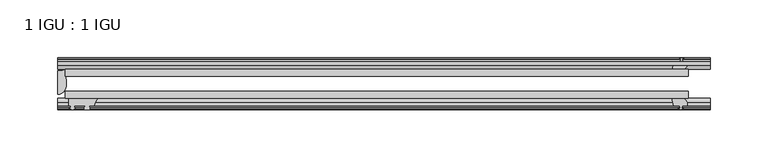
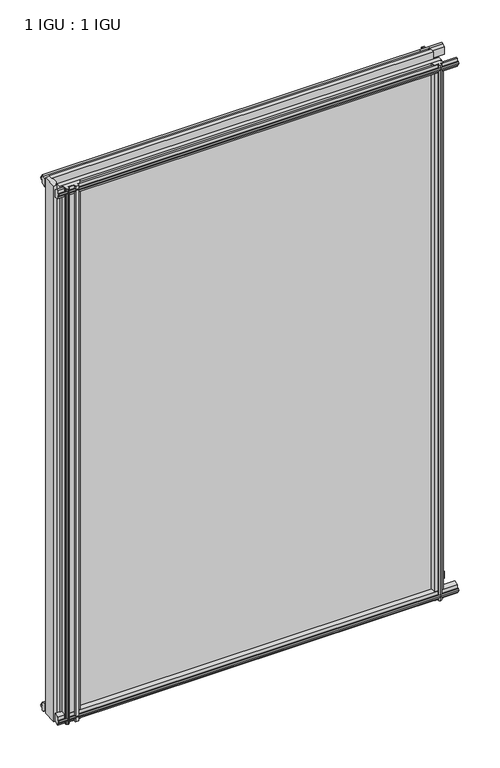
"""IFC4 building model written with IfcOpenShell, lengths in millimetres: plate geometry, 1 IGU : 1 IGU."""

import ifcopenshell
import ifcopenshell.guid

model = None  # the IFC model being written
_history = None  # IfcOwnerHistory: only IFC2X3 demands one
_inside = {}  # id of a spatial element -> (the spatial element, [elements in it])
_under = {}  # id of a project, library or spatial element -> (it, [spatial elements below it])
_declared = {}  # id of a project -> (the project, [libraries it declares])
_typed = {}  # id of a type object -> (the type object, [elements of that type])
_made_of = {}  # id of a material, layer set ... -> (it, [elements and type objects made of it])


def new_model(schema):
    """Start an empty IFC model of exactly this schema.

    Asked for "IFC4X3", IfcOpenShell would pick the latest addendum, in which some entities
    have other attributes; the version numbers below select the first issue.
    IFC2X3 requires an IfcOwnerHistory on every rooted entity: one is made here for all.
    """
    global model, _history
    if schema == "IFC4X3":
        model = ifcopenshell.file(schema_version=(4, 3, 0, 0))
    else:
        model = ifcopenshell.file(schema=schema)
    _inside.clear()
    _under.clear()
    _declared.clear()
    _typed.clear()
    _made_of.clear()
    _history = None
    if model.schema == "IFC2X3":
        org = make("IfcOrganization", Name="unknown")
        user = make(
            "IfcPersonAndOrganization",
            ThePerson=make("IfcPerson", FamilyName="unknown"),
            TheOrganization=org,
        )
        app = make(
            "IfcApplication",
            ApplicationDeveloper=org,
            Version="unknown",
            ApplicationFullName="unknown",
            ApplicationIdentifier="unknown",
        )
        _history = make(
            "IfcOwnerHistory",
            OwningUser=user,
            OwningApplication=app,
            ChangeAction="ADDED",
            CreationDate=0,
        )
    return model


def make(cls, **values):
    """One entity of the class cls with the attributes given. An attribute that is None is left unset."""
    return model.create_entity(
        cls, **{name: value for name, value in values.items() if value is not None}
    )


def rooted(cls, **values):
    """An entity with a GlobalId (a new one), such as an element, a storey or a relation."""
    return make(cls, GlobalId=ifcopenshell.guid.new(), OwnerHistory=_history, **values)


def si_unit(unit_type, name, prefix=None):
    """IfcSIUnit, for example si_unit("LENGTHUNIT", "METRE", prefix="MILLI")."""
    return make("IfcSIUnit", UnitType=unit_type, Prefix=prefix, Name=name)


def assignment(units):
    """IfcUnitAssignment: the units of a project."""
    return None if units is None else make("IfcUnitAssignment", Units=units)


def point(xyz):
    """IfcCartesianPoint."""
    return None if xyz is None else make("IfcCartesianPoint", Coordinates=xyz)


def direction(xyz):
    """IfcDirection."""
    return None if xyz is None else make("IfcDirection", DirectionRatios=xyz)


def frame(location, z_axis=None, x_axis=None):
    """IfcAxis2Placement3D, a coordinate frame: its origin and axes. An axis left out is left unset."""
    return make(
        "IfcAxis2Placement3D",
        Location=point(location),
        Axis=direction(z_axis),
        RefDirection=direction(x_axis),
    )


def frame_2d(location, x_axis=None):
    """IfcAxis2Placement2D, a coordinate frame in the plane: its origin and x axis."""
    return make(
        "IfcAxis2Placement2D", Location=point(location), RefDirection=direction(x_axis)
    )


def origin():
    """The frame at (0, 0, 0) with its axes left unset."""
    return frame((0.0, 0.0, 0.0))


def place(relative_to, where):
    """IfcLocalPlacement: puts the frame where relative to a parent placement (None: the world)."""
    return make(
        "IfcLocalPlacement", PlacementRelTo=relative_to, RelativePlacement=where
    )


def context(
    kind, dimensions, precision=None, world=None, true_north=None, identifier=None
):
    """IfcGeometricRepresentationContext, for example the 3D "Model" context."""
    return make(
        "IfcGeometricRepresentationContext",
        ContextIdentifier=identifier,
        ContextType=kind,
        CoordinateSpaceDimension=dimensions,
        Precision=precision,
        WorldCoordinateSystem=world,
        TrueNorth=true_north,
    )


def project(units=None, contexts=None):
    """IfcProject with its units and contexts."""
    return rooted(
        "IfcProject",
        Name="project",
        RepresentationContexts=contexts,
        UnitsInContext=assignment(units),
    )


def spatial(cls, under=None, at=None, **own):
    """A site, building, storey or space (cls), placed at a placement, below another one or the project."""
    s = rooted(cls, ObjectPlacement=at, **own)
    if under is not None:
        _under.setdefault(under.id(), (under, []))[1].append(s)
    return s


def polyline(points):
    """IfcPolyline through the points."""
    return make("IfcPolyline", Points=[point(p) for p in points])


def circle_curve(where, radius):
    """IfcCircle in the frame where."""
    return make("IfcCircle", Position=where, Radius=radius)


def ellipse_curve(where, semi_axis1, semi_axis2):
    """IfcEllipse in the frame where."""
    return make(
        "IfcEllipse", Position=where, SemiAxis1=semi_axis1, SemiAxis2=semi_axis2
    )


def trimmed(basis, trim1, trim2, sense, master):
    """IfcTrimmedCurve: the piece of a basis curve between two trims."""
    return make(
        "IfcTrimmedCurve",
        BasisCurve=basis,
        Trim1=trim1,
        Trim2=trim2,
        SenseAgreement=sense,
        MasterRepresentation=master,
    )


def segment(curve, same_sense, transition):
    """IfcCompositeCurveSegment."""
    return make(
        "IfcCompositeCurveSegment",
        Transition=transition,
        SameSense=same_sense,
        ParentCurve=curve,
    )


def composite_curve(segments, self_intersect=None):
    """IfcCompositeCurve: segments joined end to end."""
    return make("IfcCompositeCurve", Segments=segments, SelfIntersect=self_intersect)


def outline(outer, holes=None, kind="AREA"):
    """IfcArbitraryClosedProfileDef: a profile drawn as a closed curve; with holes, ...WithVoids."""
    if holes is None:
        return make("IfcArbitraryClosedProfileDef", ProfileType=kind, OuterCurve=outer)
    return make(
        "IfcArbitraryProfileDefWithVoids",
        ProfileType=kind,
        OuterCurve=outer,
        InnerCurves=holes,
    )


def extrude(swept, where, along, depth):
    """IfcExtrudedAreaSolid: the profile swept, set in the frame where, extruded along a direction by depth."""
    return make(
        "IfcExtrudedAreaSolid",
        SweptArea=swept,
        Position=where,
        ExtrudedDirection=direction(along),
        Depth=depth,
    )


def shape(context_of_items, identifier, shape_type, items):
    """IfcShapeRepresentation: the items that make up one representation, for example the "Body"."""
    return make(
        "IfcShapeRepresentation",
        ContextOfItems=context_of_items,
        RepresentationIdentifier=identifier,
        RepresentationType=shape_type,
        Items=items,
    )


def source(mapping_origin, context_of_items, identifier, shape_type, items):
    """IfcRepresentationMap: a shape defined once, which mapped items show again and again."""
    return make(
        "IfcRepresentationMap",
        MappingOrigin=mapping_origin,
        MappedRepresentation=shape(context_of_items, identifier, shape_type, items),
    )


def transform(
    local_origin,
    x_axis=None,
    y_axis=None,
    z_axis=None,
    scale=None,
    scale2=None,
    scale3=None,
    uniform=True,
):
    """IfcCartesianTransformationOperator3D, or its non-uniform kind. x_axis, y_axis, z_axis: its Axis1, 2, 3."""
    if uniform:
        return make(
            "IfcCartesianTransformationOperator3D",
            Axis1=direction(x_axis),
            Axis2=direction(y_axis),
            LocalOrigin=point(local_origin),
            Scale=scale,
            Axis3=direction(z_axis),
        )
    return make(
        "IfcCartesianTransformationOperator3DnonUniform",
        Axis1=direction(x_axis),
        Axis2=direction(y_axis),
        LocalOrigin=point(local_origin),
        Scale=scale,
        Axis3=direction(z_axis),
        Scale2=scale2,
        Scale3=scale3,
    )


def mapped(mapping_source, mapping_target):
    """IfcMappedItem: shows the shape of a source again, moved by a transform."""
    return make(
        "IfcMappedItem", MappingSource=mapping_source, MappingTarget=mapping_target
    )


def made_of(thing, what):
    """Note that an element or type object is made of a material, layer set ...; save() writes the relation."""
    if what is not None:
        _made_of.setdefault(what.id(), (what, []))[1].append(thing)
    return thing


def element(
    cls,
    number,
    at=None,
    inside=None,
    cuts=None,
    type_object=None,
    material=None,
    context=None,
    identifier="Body",
    shape_type=None,
    held_by="IfcProductDefinitionShape",
    body=None,
    shapes=None,
    **own,
):
    """One element of the class cls, such as IfcWall. Its Tag is "e" and its number.

    at: its placement. inside: the storey or other place that contains it. cuts: it is an
    opening in that element (IfcRelVoidsElement). A single representation is given by context,
    identifier, shape_type and body (its items); several are given by shapes. held_by: the class
    of the entity that holds the representations. save() writes the other relations.
    """
    e = rooted(cls, Tag="e%d" % number, ObjectPlacement=at, **own)
    if body is not None:
        shapes = [shape(context, identifier, shape_type, body)]
    if shapes is not None:
        e.Representation = make(held_by, Representations=shapes)
    if inside is not None:
        _inside.setdefault(inside.id(), (inside, []))[1].append(e)
    if cuts is not None:
        rooted(
            "IfcRelVoidsElement", RelatingBuildingElement=cuts, RelatedOpeningElement=e
        )
    if type_object is not None:
        _typed.setdefault(type_object.id(), (type_object, []))[1].append(e)
    return made_of(e, material)


def aggregate(whole, parts):
    """IfcRelAggregates: a whole, such as a stair, and the parts it consists of."""
    return rooted("IfcRelAggregates", RelatingObject=whole, RelatedObjects=parts)


def save(model, path):
    """Write the relations noted so far, then the file.

    IfcRelAggregates (storeys below a building ...), IfcRelContainedInSpatialStructure (elements
    in a storey), IfcRelDefinesByType, IfcRelAssociatesMaterial and IfcRelDeclares: one each for
    every whole, place, type object, material and project.
    """
    for whole, parts in _under.values():
        aggregate(whole, parts)
    for where, things in _inside.values():
        rooted(
            "IfcRelContainedInSpatialStructure",
            RelatedElements=things,
            RelatingStructure=where,
        )
    for kind, things in _typed.values():
        rooted("IfcRelDefinesByType", RelatedObjects=things, RelatingType=kind)
    for what, things in _made_of.values():
        rooted("IfcRelAssociatesMaterial", RelatedObjects=things, RelatingMaterial=what)
    for by, libraries in _declared.values():
        rooted("IfcRelDeclares", RelatingContext=by, RelatedDefinitions=libraries)
    model.write(path)


def plane_surface(at):
    """IfcPlane: the flat surface through the origin of the frame at, square to its z axis."""
    return make("IfcPlane", Position=at)


def cylinder_surface(at, radius):
    """IfcCylindricalSurface: all points at the distance radius from the z axis of the frame at."""
    return make("IfcCylindricalSurface", Position=at, Radius=radius)


def revolved_surface(curve, axis_point, axis_direction):
    """IfcSurfaceOfRevolution: the curve turned about the line through axis_point along axis_direction."""
    return make(
        "IfcSurfaceOfRevolution",
        SweptCurve=make("IfcArbitraryOpenProfileDef", ProfileType="CURVE", Curve=curve),
        AxisPosition=make("IfcAxis1Placement", Location=point(axis_point), Axis=direction(axis_direction)),
    )


def extruded_surface(curve, direction_of_extrusion, depth):
    """IfcSurfaceOfLinearExtrusion: the curve pushed along a direction by depth."""
    return make(
        "IfcSurfaceOfLinearExtrusion",
        SweptCurve=make("IfcArbitraryOpenProfileDef", ProfileType="CURVE", Curve=curve),
        ExtrudedDirection=direction(direction_of_extrusion),
        Depth=depth,
    )


def advanced_brep(points, edges, surfaces, faces):
    """IfcAdvancedBrep: a solid bounded by faces that lie on surfaces and meet in shared edges.

    An edge is (start, end): straight between two places in points (the first is 0);
    or (start, end, curve); or (start, end, curve, False) where it runs against its curve.
    A face is (place in surfaces, loops), or (place, loops, False) where it looks against
    its surface's normal. A loop lists edges by number (the first is 1), with a minus sign
    where the edge is run from its end to its start. The first loop is the outer one.
    """
    corners = [point(p) for p in points]
    vertices = [make("IfcVertexPoint", VertexGeometry=c) for c in corners]
    made = []
    for start, end, *more in edges:
        made.append(
            make(
                "IfcEdgeCurve",
                EdgeStart=vertices[start],
                EdgeEnd=vertices[end],
                EdgeGeometry=more[0] if more else make("IfcPolyline", Points=[corners[start], corners[end]]),
                SameSense=more[1] if len(more) > 1 else True,
            )
        )
    hull = []
    for where, loops, *sense in faces:
        bounds = []
        for j, loop in enumerate(loops):
            ring = [make("IfcOrientedEdge", EdgeElement=made[abs(k) - 1], Orientation=k > 0) for k in loop]
            bounds.append(
                make(
                    "IfcFaceOuterBound" if j == 0 else "IfcFaceBound",
                    Bound=make("IfcEdgeLoop", EdgeList=ring),
                    Orientation=True,
                )
            )
        hull.append(make("IfcAdvancedFace", Bounds=bounds, FaceSurface=surfaces[where], SameSense=sense[0] if sense else True))
    return make("IfcAdvancedBrep", Outer=make("IfcClosedShell", CfsFaces=hull))


def plate_1_igu_1_igu_c9d394a8(model_context):
    return source(origin(), model_context, "Body", "SolidModel", [
        extrude(outline(polyline([(-276.2250001, -38.6468937), (263.5250001, -38.6468937), (263.5250001, -44.9460938), (-276.2250001, -44.9460938), (-276.2250001, -38.6468937)])), frame((0.0, 0.0, -12.7), z_axis=(0.0, 0.0, 1.0), x_axis=(1.0, 0.0, 0.0)), (0.0, 0.0, 1.0), 800.0872996),
        extrude(outline(polyline([(-276.2250001, -19.5460937), (263.5250001, -19.5460937), (263.5250001, -25.8960938), (-276.2250001, -25.8960938), (-276.2250001, -19.5460937)])), frame((0.0, 0.0, -12.7), z_axis=(0.0, 0.0, 1.0), x_axis=(1.0, 0.0, 0.0)), (0.0, 0.0, 1.0), 800.0872996),
        advanced_brep(
        [(-282.5750001, -21.1706006, -12.7), (-276.2263882, -19.5461438, -12.7), (-276.2263882, -25.8549351, -12.7), (-275.0510369, -32.21431, -12.7), (-282.5750001, -41.5384043, -12.7), (-282.5750001, -21.1706006, 787.3872996), (-282.5750001, -41.5384043, 787.3872996), (-275.0510369, -32.21431, 787.3872996), (-276.2263882, -25.8549351, 787.3872996), (-276.2263882, -19.5461438, 787.3872996)],
        [
            (0, 1, circle_curve(frame((-282.5755695, -7.9505008, -12.7), z_axis=(0.0, 0.0, 1.0), x_axis=(1.0, 0.0, 0.0)), 13.2200998)),
            (1, 2),
            (2, 3, circle_curve(frame((-293.1134013, -32.2643264, -12.7), z_axis=(0.0, 0.0, -1.0), x_axis=(1.0, 0.0, 0.0)), 18.0624336)),
            (3, 4, ellipse_curve(frame((-282.5741672, -32.2460921, -12.7), z_axis=(0.0, 0.0, -1.0), x_axis=(0.0, -1.0, 0.0)), 9.2923123, 7.5231742)),
            (4, 0),
            (5, 6),
            (6, 7, ellipse_curve(frame((-282.5741672, -32.2460921, 787.3872996), z_axis=(0.0, 0.0, 1.0), x_axis=(0.0, -1.0, 0.0)), 9.2923123, 7.5231742)),
            (7, 8, circle_curve(frame((-293.1134013, -32.2643264, 787.3872996), z_axis=(0.0, 0.0, 1.0), x_axis=(1.0, 0.0, 0.0)), 18.0624336)),
            (8, 9),
            (9, 5, circle_curve(frame((-282.5755695, -7.9505008, 787.3872996), z_axis=(0.0, 0.0, -1.0), x_axis=(1.0, 0.0, 0.0)), 13.2200998)),
            (0, 5),
            (9, 1),
            (8, 2),
            (7, 3),
            (6, 4),
        ],
        [
            plane_surface(frame((-282.5750001, -13.1960937, -12.7), z_axis=(0.0, 0.0, -1.0), x_axis=(0.0, 1.0, 0.0))),
            plane_surface(frame((-282.5750001, -13.1960937, 787.3872996), z_axis=(0.0, 0.0, 1.0), x_axis=(0.0, 1.0, 0.0))),
            revolved_surface(polyline([(-269.35546969999996, -7.9505008, 787.3872996), (-269.35546969999996, -7.9505008, -12.7)]), (-282.5755695, -7.9505008, -12.7), (0.0, 0.0, 1.0)),
            plane_surface(frame((-276.2263882, -19.5461438, -12.7), z_axis=(1.0, 0.0, 0.0), x_axis=(0.0, 0.0, 1.0))),
            cylinder_surface(frame((-293.1134013, -32.2643264, -12.7), z_axis=(0.0, 0.0, -1.0), x_axis=(1.0, 0.0, 0.0)), 18.0624336),
            extruded_surface(trimmed(ellipse_curve(frame((-282.5741672, -32.2460921, 787.3872996), z_axis=(0.0, 0.0, -1.0), x_axis=(0.0, -1.0, 0.0)), 9.2923123, 7.5231742), [point((-275.0510369, -32.21431, 787.3872996))], [point((-282.5750001, -41.5384043, 787.3872996))], True, "CARTESIAN"), (0.0, 0.0, -800.0872996), 800.0872996),
            plane_surface(frame((-282.5750001, -41.5384043, -12.7), z_axis=(-1.0, 0.0, 0.0), x_axis=(0.0, 0.0, 1.0))),
        ],
        [
            (0, [[1, 2, 3, 4, 5]]),
            (1, [[6, 7, 8, 9, 10]]),
            (2, [[-1, 11, -10, 12]]),
            (3, [[-2, -12, -9, 13]]),
            (4, [[-3, -13, -8, 14]]),
            (5, [[-4, -14, -7, 15]]),
            (6, [[-5, -15, -6, -11]]),
        ],
    ),
        extrude(outline(polyline([(-44.9460937, 1.7177181), (-44.9460937, -9.1036578), (-48.3496937, -11.938), (-51.2960937, -11.938), (-51.2960937, -7.493), (-53.6762907, -7.112), (-53.2163575, -8.5275291), (-54.0175717, -8.5275291), (-54.7250937, -6.35), (-54.0175717, -4.1724709), (-53.2163575, -4.1724709), (-53.6762907, -5.588), (-51.2960937, -5.207), (-51.2960937, 0.0), (-44.9460937, 1.7177181)])), frame((-282.5750001, 0.0, 0.0), z_axis=(1.0, 0.0, 0.0), x_axis=(0.0, 1.0, 0.0)), (0.0, 0.0, 1.0), 565.1500002),
        extrude(outline(polyline([(-13.1960937, -12.4587), (-16.1424937, -12.4587), (-19.5460937, -9.6243578), (-19.5460937, 1.1970181), (-13.1960937, -0.5207), (-13.1960937, -5.7277), (-10.8158968, -6.1087), (-11.27583, -4.6931709), (-10.4746158, -4.6931709), (-9.7670937, -6.8707), (-10.4746158, -9.0482291), (-11.27583, -9.0482291), (-10.8158968, -7.6327), (-13.1960937, -8.0137), (-13.1960937, -12.4587)])), frame((-282.5750001, 0.0, 0.0), z_axis=(1.0, 0.0, 0.0), x_axis=(0.0, 1.0, 0.0)), (0.0, 0.0, 1.0), 565.1500002),
        extrude(outline(polyline([(-51.2960937, 786.6252996), (-48.3496937, 786.6252996), (-44.9460937, 783.7909574), (-44.9460937, 772.9695815), (-51.2960937, 774.6872996), (-51.2960937, 779.8942996), (-53.6762907, 780.2752996), (-53.2163575, 778.8597705), (-54.0175717, 778.8597705), (-54.7250937, 781.0372996), (-54.0175717, 783.2148286), (-53.2163575, 783.2148286), (-53.6762907, 781.7992996), (-51.2960937, 782.1802996), (-51.2960937, 786.6252996)])), frame((-282.5750001, 0.0, 0.0), z_axis=(1.0, 0.0, 0.0), x_axis=(0.0, 1.0, 0.0)), (0.0, 0.0, 1.0), 565.1500002),
        extrude(outline(polyline([(-19.5460937, 773.4902815), (-19.5460937, 784.3116574), (-16.1424937, 787.1459996), (-13.1960937, 787.1459996), (-13.1960937, 782.7009996), (-10.8158968, 782.3199996), (-11.27583, 783.7355286), (-10.4746158, 783.7355286), (-9.7670937, 781.5579996), (-10.4746158, 779.3804705), (-11.27583, 779.3804705), (-10.8158968, 780.7959996), (-13.1960937, 780.4149996), (-13.1960937, 775.2079996), (-19.5460937, 773.4902815)])), frame((-282.5750001, 0.0, 0.0), z_axis=(1.0, 0.0, 0.0), x_axis=(0.0, 1.0, 0.0)), (0.0, 0.0, 1.0), 565.1500002),
        extrude(outline(composite_curve([segment(trimmed(circle_curve(frame_2d((-241.8090688, -51.9750196)), 9.0414579), [point((-247.4960857, -44.9460938))], [point((-250.8250002, -51.2960938))], True, "CARTESIAN"), True, "CONTINUOUS"), segment(polyline([(-250.8250002, -51.2960938), (-255.0668002, -51.2960938)]), True, "CONTINUOUS"), segment(trimmed(circle_curve(frame_2d((-255.0668002, -51.7532938)), 0.4572), [point((-255.0668002, -51.2960938))], [point((-255.4056181, -52.0602698))], True, "CARTESIAN"), True, "CONTINUOUS"), segment(trimmed(circle_curve(frame_2d((-257.1750002, -53.663367)), 2.3876), [point((-255.4056181, -52.0602698))], [point((-255.1043572, -54.8520938))], False, "CARTESIAN"), True, "CONTINUOUS"), segment(polyline([(-255.1043572, -54.8520938), (-259.2456432, -54.8520938)]), True, "CONTINUOUS"), segment(trimmed(circle_curve(frame_2d((-257.1750002, -53.663367)), 2.3876), [point((-259.2456432, -54.8520938))], [point((-258.9443824, -52.0602698))], False, "CARTESIAN"), True, "CONTINUOUS"), segment(trimmed(circle_curve(frame_2d((-259.2832002, -51.7532938)), 0.4572), [point((-258.9443824, -52.0602698))], [point((-259.2832002, -51.2960938))], True, "CARTESIAN"), True, "CONTINUOUS"), segment(polyline([(-259.2832002, -51.2960938), (-268.3510002, -51.2960938), (-268.3510002, -52.9470938), (-267.2733695, -52.9470938)]), True, "CONTINUOUS"), segment(trimmed(circle_curve(frame_2d((-268.3510002, -52.9470938)), 1.0776307), [point((-267.2733695, -52.9470938))], [point((-267.5890002, -53.7090938))], False, "CARTESIAN"), True, "CONTINUOUS"), segment(polyline([(-267.5890002, -53.7090938), (-269.3282926, -54.8194621)]), True, "CONTINUOUS"), segment(trimmed(circle_curve(frame_2d((-269.8750002, -53.9630938)), 1.016), [point((-269.3282926, -54.8194621))], [point((-270.4217078, -54.8194621))], False, "CARTESIAN"), True, "CONTINUOUS"), segment(polyline([(-270.4217078, -54.8194621), (-272.1610002, -53.7090938)]), True, "CONTINUOUS"), segment(trimmed(circle_curve(frame_2d((-271.3990002, -52.9470938)), 1.0776307), [point((-272.1610002, -53.7090938))], [point((-272.476631, -52.9470938))], False, "CARTESIAN"), True, "CONTINUOUS"), segment(polyline([(-272.476631, -52.9470938), (-271.3990002, -52.9470938), (-271.3990002, -51.2960938), (-273.0500002, -51.2960938), (-273.0500002, -44.9460938), (-247.4960857, -44.9460938)]), True, "CONTINUOUS")], self_intersect=False)), frame((0.0, 0.0, -12.7), z_axis=(0.0, 0.0, 1.0), x_axis=(1.0, 0.0, 0.0)), (0.0, 0.0, 1.0), 800.0872997),
        extrude(outline(polyline([(249.627982, -19.5460938), (251.3457001, -13.1960938), (256.5527001, -13.1960938), (256.9337001, -10.8158968), (255.518171, -11.27583), (255.518171, -10.4746158), (257.6957001, -9.7670938), (259.8732291, -10.4746158), (259.8732291, -11.27583), (258.4577001, -10.8158968), (258.8387001, -13.1960938), (263.2837001, -13.1960938), (263.2837001, -16.1424938), (260.4493579, -19.5460938), (249.627982, -19.5460938)])), frame((0.0, 0.0, -12.7), z_axis=(0.0, 0.0, 1.0), x_axis=(1.0, 0.0, 0.0)), (0.0, 0.0, 1.0), 800.0872997),
        extrude(outline(polyline([(249.107282, -44.9460938), (259.9286579, -44.9460938), (262.7630001, -48.3496938), (262.7630001, -51.2960938), (258.3180001, -51.2960938), (257.9370001, -53.6762907), (259.3525291, -53.2163575), (259.3525291, -54.0175717), (257.1750001, -54.7250938), (254.997471, -54.0175717), (254.997471, -53.2163575), (256.4130001, -53.6762907), (256.0320001, -51.2960938), (250.8250001, -51.2960938), (249.107282, -44.9460938)])), frame((0.0, 0.0, -12.7), z_axis=(0.0, 0.0, 1.0), x_axis=(1.0, 0.0, 0.0)), (0.0, 0.0, 1.0), 800.0872997),
    ])


if __name__ == "__main__":
    model = new_model("IFC4")
    model_context = context("Model", 3, world=origin())
    ifc_project = project(units=[si_unit("LENGTHUNIT", "METRE", prefix="MILLI")], contexts=[model_context])
    site = spatial("IfcSite", under=ifc_project)
    building = spatial("IfcBuilding", under=site)
    placement = place(None, origin())
    plate_1_igu_1_igu_shape = plate_1_igu_1_igu_c9d394a8(model_context)
    element("IfcPlate", 1, ObjectType="1 IGU : 1 IGU", at=placement, inside=building, context=model_context, shape_type="MappedRepresentation", body=[
        mapped(plate_1_igu_1_igu_shape, transform((0.0, 0.0, 0.0), x_axis=(1.0, 0.0, 0.0), y_axis=(0.0, 1.0, 0.0), z_axis=(0.0, 0.0, 1.0))),
    ])
    save(model, "model.ifc")
